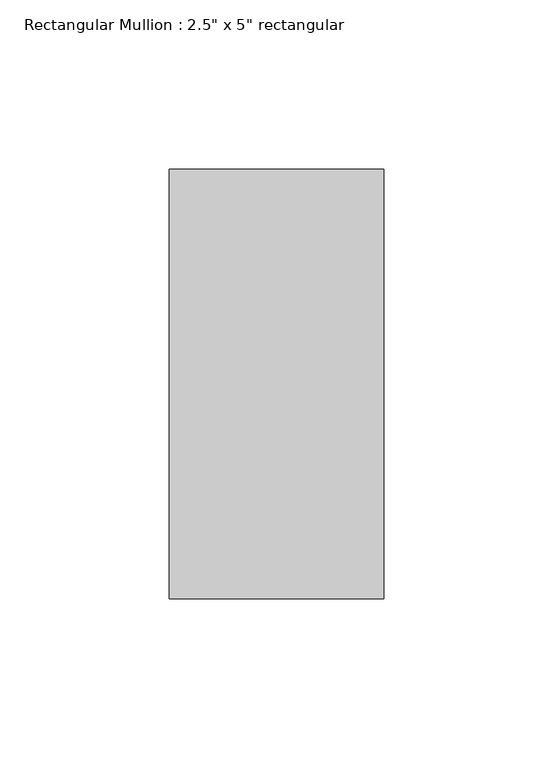
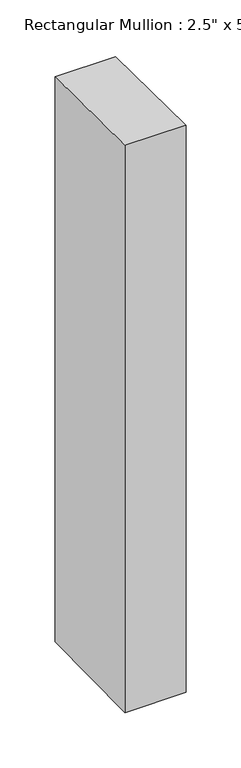
"""IFC4 building model written with IfcOpenShell, lengths in millimetres: member geometry."""

from ifc_helpers import new_model, si_unit, origin, place, context, project, spatial, faceted_brep, source, transform, mapped, element, save


def member_72369441(model_context):
    return source(origin(), model_context, "Body", "Brep", [
        faceted_brep([(-63.5, 63.5, -0.404624), (0.0, 63.5, -0.7388185), (0.0, 63.5, -624.5843462), (-63.5, 63.5, -624.7585844), (-63.5, -63.5, 1.0730129), (-63.5, -63.5, -626.2308563), (0.0, -63.5, 0.7388185), (0.0, -63.5, -626.056618)], [[[0, 1, 2, 3]], [[4, 0, 3, 5]], [[6, 4, 5, 7]], [[1, 6, 7, 2]], [[1, 0, 4, 6]], [[2, 7, 5, 3]]]),
    ])


if __name__ == "__main__":
    model = new_model("IFC4")
    model_context = context("Model", 3, world=origin())
    ifc_project = project(units=[si_unit("LENGTHUNIT", "METRE", prefix="MILLI")], contexts=[model_context])
    site = spatial("IfcSite", under=ifc_project)
    building = spatial("IfcBuilding", under=site)
    placement = place(None, origin())
    member_shape = member_72369441(model_context)
    element("IfcMember", 1, ObjectType="Rectangular Mullion : 2.5\" x 5\" rectangular", at=placement, inside=building, context=model_context, shape_type="MappedRepresentation", body=[
        mapped(member_shape, transform((0.0, 0.0, 0.0), x_axis=(1.0, 0.0, 0.0), y_axis=(0.0, 1.0, 0.0), z_axis=(0.0, 0.0, 1.0))),
    ])
    save(model, "model.ifc")
